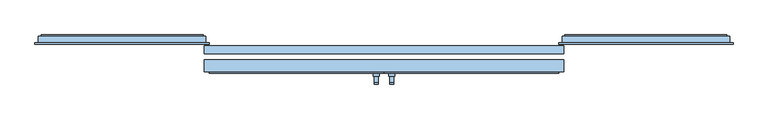
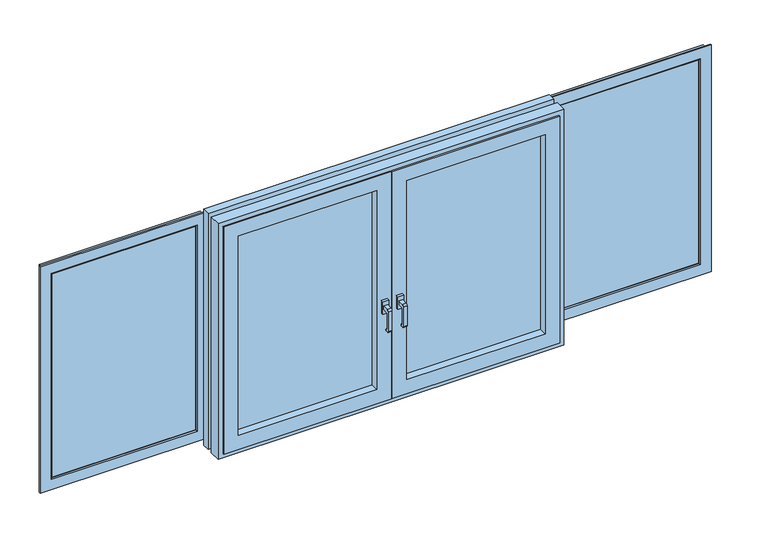
"""IFC4 building model written with IfcOpenShell, lengths in millimetres: window geometry."""

import ifcopenshell
import ifcopenshell.guid

model = None  # the IFC model being written
_history = None  # IfcOwnerHistory: only IFC2X3 demands one
_inside = {}  # id of a spatial element -> (the spatial element, [elements in it])
_under = {}  # id of a project, library or spatial element -> (it, [spatial elements below it])
_declared = {}  # id of a project -> (the project, [libraries it declares])
_typed = {}  # id of a type object -> (the type object, [elements of that type])
_made_of = {}  # id of a material, layer set ... -> (it, [elements and type objects made of it])


def new_model(schema):
    """Start an empty IFC model of exactly this schema.

    Asked for "IFC4X3", IfcOpenShell would pick the latest addendum, in which some entities
    have other attributes; the version numbers below select the first issue.
    IFC2X3 requires an IfcOwnerHistory on every rooted entity: one is made here for all.
    """
    global model, _history
    if schema == "IFC4X3":
        model = ifcopenshell.file(schema_version=(4, 3, 0, 0))
    else:
        model = ifcopenshell.file(schema=schema)
    _inside.clear()
    _under.clear()
    _declared.clear()
    _typed.clear()
    _made_of.clear()
    _history = None
    if model.schema == "IFC2X3":
        org = make("IfcOrganization", Name="unknown")
        user = make(
            "IfcPersonAndOrganization",
            ThePerson=make("IfcPerson", FamilyName="unknown"),
            TheOrganization=org,
        )
        app = make(
            "IfcApplication",
            ApplicationDeveloper=org,
            Version="unknown",
            ApplicationFullName="unknown",
            ApplicationIdentifier="unknown",
        )
        _history = make(
            "IfcOwnerHistory",
            OwningUser=user,
            OwningApplication=app,
            ChangeAction="ADDED",
            CreationDate=0,
        )
    return model


def make(cls, **values):
    """One entity of the class cls with the attributes given. An attribute that is None is left unset."""
    return model.create_entity(
        cls, **{name: value for name, value in values.items() if value is not None}
    )


def rooted(cls, **values):
    """An entity with a GlobalId (a new one), such as an element, a storey or a relation."""
    return make(cls, GlobalId=ifcopenshell.guid.new(), OwnerHistory=_history, **values)


def si_unit(unit_type, name, prefix=None):
    """IfcSIUnit, for example si_unit("LENGTHUNIT", "METRE", prefix="MILLI")."""
    return make("IfcSIUnit", UnitType=unit_type, Prefix=prefix, Name=name)


def assignment(units):
    """IfcUnitAssignment: the units of a project."""
    return None if units is None else make("IfcUnitAssignment", Units=units)


def point(xyz):
    """IfcCartesianPoint."""
    return None if xyz is None else make("IfcCartesianPoint", Coordinates=xyz)


def direction(xyz):
    """IfcDirection."""
    return None if xyz is None else make("IfcDirection", DirectionRatios=xyz)


def frame(location, z_axis=None, x_axis=None):
    """IfcAxis2Placement3D, a coordinate frame: its origin and axes. An axis left out is left unset."""
    return make(
        "IfcAxis2Placement3D",
        Location=point(location),
        Axis=direction(z_axis),
        RefDirection=direction(x_axis),
    )


def frame_2d(location, x_axis=None):
    """IfcAxis2Placement2D, a coordinate frame in the plane: its origin and x axis."""
    return make(
        "IfcAxis2Placement2D", Location=point(location), RefDirection=direction(x_axis)
    )


def origin():
    """The frame at (0, 0, 0) with its axes left unset."""
    return frame((0.0, 0.0, 0.0))


def place(relative_to, where):
    """IfcLocalPlacement: puts the frame where relative to a parent placement (None: the world)."""
    return make(
        "IfcLocalPlacement", PlacementRelTo=relative_to, RelativePlacement=where
    )


def context(
    kind, dimensions, precision=None, world=None, true_north=None, identifier=None
):
    """IfcGeometricRepresentationContext, for example the 3D "Model" context."""
    return make(
        "IfcGeometricRepresentationContext",
        ContextIdentifier=identifier,
        ContextType=kind,
        CoordinateSpaceDimension=dimensions,
        Precision=precision,
        WorldCoordinateSystem=world,
        TrueNorth=true_north,
    )


def project(units=None, contexts=None):
    """IfcProject with its units and contexts."""
    return rooted(
        "IfcProject",
        Name="project",
        RepresentationContexts=contexts,
        UnitsInContext=assignment(units),
    )


def spatial(cls, under=None, at=None, **own):
    """A site, building, storey or space (cls), placed at a placement, below another one or the project."""
    s = rooted(cls, ObjectPlacement=at, **own)
    if under is not None:
        _under.setdefault(under.id(), (under, []))[1].append(s)
    return s


def polyline(points):
    """IfcPolyline through the points."""
    return make("IfcPolyline", Points=[point(p) for p in points])


def circle_curve(where, radius):
    """IfcCircle in the frame where."""
    return make("IfcCircle", Position=where, Radius=radius)


def ellipse_curve(where, semi_axis1, semi_axis2):
    """IfcEllipse in the frame where."""
    return make(
        "IfcEllipse", Position=where, SemiAxis1=semi_axis1, SemiAxis2=semi_axis2
    )


def trimmed(basis, trim1, trim2, sense, master):
    """IfcTrimmedCurve: the piece of a basis curve between two trims."""
    return make(
        "IfcTrimmedCurve",
        BasisCurve=basis,
        Trim1=trim1,
        Trim2=trim2,
        SenseAgreement=sense,
        MasterRepresentation=master,
    )


def segment(curve, same_sense, transition):
    """IfcCompositeCurveSegment."""
    return make(
        "IfcCompositeCurveSegment",
        Transition=transition,
        SameSense=same_sense,
        ParentCurve=curve,
    )


def composite_curve(segments, self_intersect=None):
    """IfcCompositeCurve: segments joined end to end."""
    return make("IfcCompositeCurve", Segments=segments, SelfIntersect=self_intersect)


def outline(outer, holes=None, kind="AREA"):
    """IfcArbitraryClosedProfileDef: a profile drawn as a closed curve; with holes, ...WithVoids."""
    if holes is None:
        return make("IfcArbitraryClosedProfileDef", ProfileType=kind, OuterCurve=outer)
    return make(
        "IfcArbitraryProfileDefWithVoids",
        ProfileType=kind,
        OuterCurve=outer,
        InnerCurves=holes,
    )


def extrude(swept, where, along, depth):
    """IfcExtrudedAreaSolid: the profile swept, set in the frame where, extruded along a direction by depth."""
    return make(
        "IfcExtrudedAreaSolid",
        SweptArea=swept,
        Position=where,
        ExtrudedDirection=direction(along),
        Depth=depth,
    )


def faces_of(points, faces, orient=None, outer=None):
    """IfcFace entities. A face is a list of loops; a loop is a list of indices into points, from 0.

    orient and outer hold one flag for each loop. By default every Orientation is true, the
    first loop of a face is its IfcFaceOuterBound and the others are IfcFaceBound.
    """
    made = []
    for i, loops in enumerate(faces):
        bounds = []
        for j, loop in enumerate(loops):
            is_outer = j == 0 if outer is None else outer[i][j]
            bounds.append(
                make(
                    "IfcFaceOuterBound" if is_outer else "IfcFaceBound",
                    Bound=make("IfcPolyLoop", Polygon=[points[k] for k in loop]),
                    Orientation=True if orient is None else orient[i][j],
                )
            )
        made.append(make("IfcFace", Bounds=bounds))
    return made


def faceted_brep(points, faces, orient=None, outer=None, voids=None):
    """IfcFacetedBrep: a solid bounded by flat faces; with voids (closed shells), ...WithVoids."""
    shared = [point(p) for p in points]
    hull = make("IfcClosedShell", CfsFaces=faces_of(shared, faces, orient, outer))
    if voids is None:
        return make("IfcFacetedBrep", Outer=hull)
    return make(
        "IfcFacetedBrepWithVoids",
        Outer=hull,
        Voids=[
            make(cls, CfsFaces=faces_of(shared, fs, o, b)) for cls, fs, o, b in voids
        ],
    )


def shape(context_of_items, identifier, shape_type, items):
    """IfcShapeRepresentation: the items that make up one representation, for example the "Body"."""
    return make(
        "IfcShapeRepresentation",
        ContextOfItems=context_of_items,
        RepresentationIdentifier=identifier,
        RepresentationType=shape_type,
        Items=items,
    )


def source(mapping_origin, context_of_items, identifier, shape_type, items):
    """IfcRepresentationMap: a shape defined once, which mapped items show again and again."""
    return make(
        "IfcRepresentationMap",
        MappingOrigin=mapping_origin,
        MappedRepresentation=shape(context_of_items, identifier, shape_type, items),
    )


def transform(
    local_origin,
    x_axis=None,
    y_axis=None,
    z_axis=None,
    scale=None,
    scale2=None,
    scale3=None,
    uniform=True,
):
    """IfcCartesianTransformationOperator3D, or its non-uniform kind. x_axis, y_axis, z_axis: its Axis1, 2, 3."""
    if uniform:
        return make(
            "IfcCartesianTransformationOperator3D",
            Axis1=direction(x_axis),
            Axis2=direction(y_axis),
            LocalOrigin=point(local_origin),
            Scale=scale,
            Axis3=direction(z_axis),
        )
    return make(
        "IfcCartesianTransformationOperator3DnonUniform",
        Axis1=direction(x_axis),
        Axis2=direction(y_axis),
        LocalOrigin=point(local_origin),
        Scale=scale,
        Axis3=direction(z_axis),
        Scale2=scale2,
        Scale3=scale3,
    )


def mapped(mapping_source, mapping_target):
    """IfcMappedItem: shows the shape of a source again, moved by a transform."""
    return make(
        "IfcMappedItem", MappingSource=mapping_source, MappingTarget=mapping_target
    )


def made_of(thing, what):
    """Note that an element or type object is made of a material, layer set ...; save() writes the relation."""
    if what is not None:
        _made_of.setdefault(what.id(), (what, []))[1].append(thing)
    return thing


def element(
    cls,
    number,
    at=None,
    inside=None,
    cuts=None,
    type_object=None,
    material=None,
    context=None,
    identifier="Body",
    shape_type=None,
    held_by="IfcProductDefinitionShape",
    body=None,
    shapes=None,
    **own,
):
    """One element of the class cls, such as IfcWall. Its Tag is "e" and its number.

    at: its placement. inside: the storey or other place that contains it. cuts: it is an
    opening in that element (IfcRelVoidsElement). A single representation is given by context,
    identifier, shape_type and body (its items); several are given by shapes. held_by: the class
    of the entity that holds the representations. save() writes the other relations.
    """
    e = rooted(cls, Tag="e%d" % number, ObjectPlacement=at, **own)
    if body is not None:
        shapes = [shape(context, identifier, shape_type, body)]
    if shapes is not None:
        e.Representation = make(held_by, Representations=shapes)
    if inside is not None:
        _inside.setdefault(inside.id(), (inside, []))[1].append(e)
    if cuts is not None:
        rooted(
            "IfcRelVoidsElement", RelatingBuildingElement=cuts, RelatedOpeningElement=e
        )
    if type_object is not None:
        _typed.setdefault(type_object.id(), (type_object, []))[1].append(e)
    return made_of(e, material)


def aggregate(whole, parts):
    """IfcRelAggregates: a whole, such as a stair, and the parts it consists of."""
    return rooted("IfcRelAggregates", RelatingObject=whole, RelatedObjects=parts)


def save(model, path):
    """Write the relations noted so far, then the file.

    IfcRelAggregates (storeys below a building ...), IfcRelContainedInSpatialStructure (elements
    in a storey), IfcRelDefinesByType, IfcRelAssociatesMaterial and IfcRelDeclares: one each for
    every whole, place, type object, material and project.
    """
    for whole, parts in _under.values():
        aggregate(whole, parts)
    for where, things in _inside.values():
        rooted(
            "IfcRelContainedInSpatialStructure",
            RelatedElements=things,
            RelatingStructure=where,
        )
    for kind, things in _typed.values():
        rooted("IfcRelDefinesByType", RelatedObjects=things, RelatingType=kind)
    for what, things in _made_of.values():
        rooted("IfcRelAssociatesMaterial", RelatedObjects=things, RelatingMaterial=what)
    for by, libraries in _declared.values():
        rooted("IfcRelDeclares", RelatingContext=by, RelatedDefinitions=libraries)
    model.write(path)


def plane_surface(at):
    """IfcPlane: the flat surface through the origin of the frame at, square to its z axis."""
    return make("IfcPlane", Position=at)


def cylinder_surface(at, radius):
    """IfcCylindricalSurface: all points at the distance radius from the z axis of the frame at."""
    return make("IfcCylindricalSurface", Position=at, Radius=radius)


def advanced_brep(points, edges, surfaces, faces):
    """IfcAdvancedBrep: a solid bounded by faces that lie on surfaces and meet in shared edges.

    An edge is (start, end): straight between two places in points (the first is 0);
    or (start, end, curve); or (start, end, curve, False) where it runs against its curve.
    A face is (place in surfaces, loops), or (place, loops, False) where it looks against
    its surface's normal. A loop lists edges by number (the first is 1), with a minus sign
    where the edge is run from its end to its start. The first loop is the outer one.
    """
    corners = [point(p) for p in points]
    vertices = [make("IfcVertexPoint", VertexGeometry=c) for c in corners]
    made = []
    for start, end, *more in edges:
        made.append(
            make(
                "IfcEdgeCurve",
                EdgeStart=vertices[start],
                EdgeEnd=vertices[end],
                EdgeGeometry=more[0] if more else make("IfcPolyline", Points=[corners[start], corners[end]]),
                SameSense=more[1] if len(more) > 1 else True,
            )
        )
    hull = []
    for where, loops, *sense in faces:
        bounds = []
        for j, loop in enumerate(loops):
            ring = [make("IfcOrientedEdge", EdgeElement=made[abs(k) - 1], Orientation=k > 0) for k in loop]
            bounds.append(
                make(
                    "IfcFaceOuterBound" if j == 0 else "IfcFaceBound",
                    Bound=make("IfcEdgeLoop", EdgeList=ring),
                    Orientation=True,
                )
            )
        hull.append(make("IfcAdvancedFace", Bounds=bounds, FaceSurface=surfaces[where], SameSense=sense[0] if sense else True))
    return make("IfcAdvancedBrep", Outer=make("IfcClosedShell", CfsFaces=hull))


def window_fe2978f3(model_context):
    return source(origin(), model_context, "Body", "SolidModel", [
        extrude(outline(polyline([(-1685.033119, 147.5), (-934.966881, 147.5), (-934.966881, 115.0), (-1685.033119, 115.0), (-1685.033119, 147.5)])), frame((0.0, 0.0, 988.0), z_axis=(0.0, 0.0, 1.0), x_axis=(1.0, 0.0, 0.0)), (0.0, 0.0, 1.0), 1123.9326115),
        advanced_brep(
        [(-1729.033119, 115.0, 2156.0), (-1729.033119, 147.5, 2156.0), (-1729.033119, 147.5, 944.0), (-1729.033119, 115.0, 944.0), (-890.966881, 147.5, 2156.0), (-890.966881, 147.5, 944.0), (-1714.533119, 147.5, 958.5), (-905.466881, 147.5, 958.5), (-905.466881, 147.5, 2141.5), (-1714.533119, 147.5, 2141.5), (-890.966881, 115.0, 944.0), (-1746.5, 115.0, 2173.466881), (-873.5, 115.0, 2173.466881), (-873.5, 115.0, 926.533119), (-1746.5, 115.0, 926.533119), (-890.966881, 115.0, 2156.0), (-1714.533119, 155.0, 2141.5), (-1714.533119, 155.0, 958.5), (-905.466881, 155.0, 2141.5), (-905.466881, 155.0, 958.5), (-1690.033119, 155.0, 983.0), (-929.966881, 155.0, 983.0), (-929.966881, 155.0, 2117.0), (-1690.033119, 155.0, 2117.0), (-1685.033119, 150.0, 2112.0), (-1685.033119, 150.0, 988.0), (-1685.033119, 112.5, 2112.0), (-1685.033119, 112.5, 988.0), (-934.966881, 150.0, 988.0), (-1690.033119, 107.5, 2117.0), (-1690.033119, 107.5, 983.0), (-934.966881, 112.5, 988.0), (-1746.5, 107.5, 926.533119), (-873.5, 107.5, 926.533119), (-873.5, 107.5, 2173.466881), (-1746.5, 107.5, 2173.466881), (-929.966881, 107.5, 2117.0), (-929.966881, 107.5, 983.0), (-934.966881, 150.0, 2112.0), (-934.966881, 112.5, 2112.0)],
        [
            (0, 1),
            (1, 2),
            (2, 3),
            (3, 0),
            (1, 4),
            (4, 5),
            (5, 2),
            (6, 7),
            (7, 8),
            (8, 9),
            (9, 6),
            (5, 10),
            (10, 3),
            (11, 12),
            (12, 13),
            (13, 14),
            (14, 11),
            (10, 15),
            (15, 0),
            (9, 16),
            (16, 17),
            (17, 6),
            (16, 18),
            (18, 19),
            (19, 17),
            (20, 21),
            (21, 22),
            (22, 23),
            (23, 20),
            (19, 7),
            (23, 24, ellipse_curve(frame((-1690.033119, 150.0, 2117.0), z_axis=(-0.7071067811865475, 0.0, -0.7071067811865475), x_axis=(-0.7071067811865474, 0.0, 0.7071067811865476)), 7.0710678, 5.0)),
            (24, 25),
            (25, 20, ellipse_curve(frame((-1690.033119, 150.0, 983.0), z_axis=(-0.7071067811865475, 0.0, 0.7071067811865475), x_axis=(0.7071067811865474, 0.0, 0.7071067811865476)), 7.0710678, 5.0)),
            (24, 26),
            (26, 27),
            (27, 25),
            (25, 28),
            (28, 21, ellipse_curve(frame((-929.966881, 150.0, 983.0), z_axis=(-0.7071067811865475, 0.0, -0.7071067811865475), x_axis=(-0.7071067811865476, 0.0, 0.7071067811865474)), 7.0710678, 5.0)),
            (26, 29, ellipse_curve(frame((-1690.033119, 112.5, 2117.0), z_axis=(-0.7071067811865475, 0.0, -0.7071067811865475), x_axis=(-0.7071067811865474, 0.0, 0.7071067811865476)), 7.0710678, 5.0)),
            (29, 30),
            (30, 27, ellipse_curve(frame((-1690.033119, 112.5, 983.0), z_axis=(-0.7071067811865475, 0.0, 0.7071067811865475), x_axis=(0.7071067811865474, 0.0, 0.7071067811865476)), 7.0710678, 5.0)),
            (27, 31),
            (31, 28),
            (32, 33),
            (33, 34),
            (34, 35),
            (35, 32),
            (29, 36),
            (36, 37),
            (37, 30),
            (37, 31, ellipse_curve(frame((-929.966881, 112.5, 983.0), z_axis=(-0.7071067811865475, 0.0, -0.7071067811865475), x_axis=(-0.7071067811865476, 0.0, 0.7071067811865474)), 7.0710678, 5.0)),
            (35, 11),
            (14, 32),
            (13, 33),
            (4, 15),
            (18, 8),
            (28, 38),
            (38, 22, ellipse_curve(frame((-929.966881, 150.0, 2117.0), z_axis=(0.7071067811865475, 0.0, -0.7071067811865475), x_axis=(-0.7071067811865474, 0.0, -0.7071067811865476)), 7.0710678, 5.0)),
            (31, 39),
            (39, 38),
            (36, 39, ellipse_curve(frame((-929.966881, 112.5, 2117.0), z_axis=(0.7071067811865475, 0.0, -0.7071067811865475), x_axis=(-0.7071067811865474, 0.0, -0.7071067811865476)), 7.0710678, 5.0)),
            (12, 34),
            (38, 24),
            (39, 26),
        ],
        [
            plane_surface(frame((-1729.033119, 147.5, 2156.0), z_axis=(-1.0, 0.0, 0.0), x_axis=(0.0, 0.0, -1.0))),
            plane_surface(frame((-905.466881, 147.5, 2141.5), z_axis=(0.0, 1.0, 0.0), x_axis=(-1.0, 0.0, 0.0))),
            plane_surface(frame((-1729.033119, 147.5, 944.0), z_axis=(0.0, 0.0, -1.0), x_axis=(1.0, 0.0, 0.0))),
            plane_surface(frame((-890.966881, 115.0, 2156.0), z_axis=(0.0, 1.0, 0.0), x_axis=(-1.0, 0.0, 0.0))),
            plane_surface(frame((-1714.533119, 155.0, 2141.5), z_axis=(-1.0, 0.0, 0.0), x_axis=(0.0, 0.0, -1.0))),
            plane_surface(frame((-929.966881, 155.0, 2117.0), z_axis=(0.0, 1.0, 0.0), x_axis=(-1.0, 0.0, 0.0))),
            plane_surface(frame((-1714.533119, 155.0, 958.5), z_axis=(0.0, 0.0, -1.0), x_axis=(1.0, 0.0, 0.0))),
            cylinder_surface(frame((-1690.033119, 150.0, 2146.5), z_axis=(0.0, 0.0, 1.0), x_axis=(-1.0, 0.0, 0.0)), 5.0),
            plane_surface(frame((-1685.033119, 112.5, 2112.0), z_axis=(1.0, 0.0, 0.0), x_axis=(0.0, 0.0, -1.0))),
            cylinder_surface(frame((-1719.533119, 150.0, 983.0), z_axis=(-1.0, 0.0, 0.0), x_axis=(0.0, 0.0, -1.0)), 5.0),
            cylinder_surface(frame((-1690.033119, 112.5, 2146.5), z_axis=(0.0, 0.0, 1.0), x_axis=(-1.0, 0.0, 0.0)), 5.0),
            plane_surface(frame((-1685.033119, 112.5, 988.0), z_axis=(0.0, 0.0, 1.0), x_axis=(1.0, 0.0, 0.0))),
            plane_surface(frame((-873.5, 107.5, 2173.466881), z_axis=(0.0, -1.0, 0.0), x_axis=(-1.0, 0.0, 0.0))),
            cylinder_surface(frame((-1719.533119, 112.5, 983.0), z_axis=(-1.0, 0.0, 0.0), x_axis=(0.0, 0.0, -1.0)), 5.0),
            plane_surface(frame((-1746.5, 115.0, 2173.466881), z_axis=(-1.0, 0.0, 0.0), x_axis=(0.0, 0.0, -1.0))),
            plane_surface(frame((-1746.5, 115.0, 926.533119), z_axis=(0.0, 0.0, -1.0), x_axis=(1.0, 0.0, 0.0))),
            plane_surface(frame((-890.966881, 147.5, 944.0), z_axis=(1.0, 0.0, 0.0), x_axis=(0.0, 0.0, 1.0))),
            plane_surface(frame((-905.466881, 155.0, 958.5), z_axis=(1.0, 0.0, 0.0), x_axis=(0.0, 0.0, 1.0))),
            cylinder_surface(frame((-929.966881, 150.0, 953.5), z_axis=(0.0, 0.0, -1.0), x_axis=(1.0, 0.0, 0.0)), 5.0),
            plane_surface(frame((-934.966881, 112.5, 988.0), z_axis=(-1.0, 0.0, 0.0), x_axis=(0.0, 0.0, 1.0))),
            cylinder_surface(frame((-929.966881, 112.5, 953.5), z_axis=(0.0, 0.0, -1.0), x_axis=(1.0, 0.0, 0.0)), 5.0),
            plane_surface(frame((-873.5, 115.0, 926.533119), z_axis=(1.0, 0.0, 0.0), x_axis=(0.0, 0.0, 1.0))),
            plane_surface(frame((-890.966881, 147.5, 2156.0), z_axis=(0.0, 0.0, 1.0), x_axis=(-1.0, 0.0, 0.0))),
            plane_surface(frame((-905.466881, 155.0, 2141.5), z_axis=(0.0, 0.0, 1.0), x_axis=(-1.0, 0.0, 0.0))),
            cylinder_surface(frame((-900.466881, 150.0, 2117.0), z_axis=(1.0, 0.0, 0.0), x_axis=(0.0, 0.0, 1.0)), 5.0),
            plane_surface(frame((-934.966881, 112.5, 2112.0), z_axis=(0.0, 0.0, -1.0), x_axis=(-1.0, 0.0, 0.0))),
            cylinder_surface(frame((-900.466881, 112.5, 2117.0), z_axis=(1.0, 0.0, 0.0), x_axis=(0.0, 0.0, 1.0)), 5.0),
            plane_surface(frame((-873.5, 115.0, 2173.466881), z_axis=(0.0, 0.0, 1.0), x_axis=(-1.0, 0.0, 0.0))),
        ],
        [
            (0, [[1, 2, 3, 4]]),
            (1, [[5, 6, 7, -2], [8, 9, 10, 11]]),
            (2, [[-3, -7, 12, 13]]),
            (3, [[14, 15, 16, 17], [-13, 18, 19, -4]]),
            (4, [[20, 21, 22, -11]]),
            (5, [[23, 24, 25, -21], [26, 27, 28, 29]]),
            (6, [[-22, -25, 30, -8]]),
            (7, [[31, 32, 33, -29]]),
            (8, [[34, 35, 36, -32]]),
            (9, [[-33, 37, 38, -26]]),
            (10, [[39, 40, 41, -35]]),
            (11, [[-36, 42, 43, -37]]),
            (12, [[44, 45, 46, 47], [48, 49, 50, -40]]),
            (13, [[-41, -50, 51, -42]]),
            (14, [[52, -17, 53, -47]]),
            (15, [[-53, -16, 54, -44]]),
            (16, [[-12, -6, 55, -18]]),
            (17, [[-30, -24, 56, -9]]),
            (18, [[-38, 57, 58, -27]]),
            (19, [[-43, 59, 60, -57]]),
            (20, [[-51, -49, 61, -59]]),
            (21, [[-54, -15, 62, -45]]),
            (22, [[-55, -5, -1, -19]]),
            (23, [[-56, -23, -20, -10]]),
            (24, [[-58, 63, -31, -28]]),
            (25, [[-60, 64, -34, -63]]),
            (26, [[-61, -48, -39, -64]]),
            (27, [[-62, -14, -52, -46]]),
        ],
    ),
        extrude(outline(polyline([(934.966881, 147.5), (1685.033119, 147.5), (1685.033119, 115.0), (934.966881, 115.0), (934.966881, 147.5)])), frame((0.0, 0.0, 988.0), z_axis=(0.0, 0.0, 1.0), x_axis=(1.0, 0.0, 0.0)), (0.0, 0.0, 1.0), 1123.9326115),
        advanced_brep(
        [(1729.033119, 147.5, 2156.0), (1729.033119, 115.0, 2156.0), (1729.033119, 115.0, 944.0), (1729.033119, 147.5, 944.0), (1746.5, 115.0, 926.533119), (873.5, 115.0, 926.533119), (873.5, 115.0, 2173.466881), (1746.5, 115.0, 2173.466881), (890.966881, 115.0, 2156.0), (890.966881, 115.0, 944.0), (890.966881, 147.5, 944.0), (890.966881, 147.5, 2156.0), (1714.533119, 147.5, 2141.5), (905.466881, 147.5, 2141.5), (905.466881, 147.5, 958.5), (1714.533119, 147.5, 958.5), (1714.533119, 155.0, 2141.5), (1714.533119, 155.0, 958.5), (905.466881, 155.0, 958.5), (905.466881, 155.0, 2141.5), (1690.033119, 155.0, 2117.0), (929.966881, 155.0, 2117.0), (929.966881, 155.0, 983.0), (1690.033119, 155.0, 983.0), (1685.033119, 150.0, 2112.0), (1685.033119, 150.0, 988.0), (934.966881, 150.0, 988.0), (1685.033119, 112.5, 2112.0), (1685.033119, 112.5, 988.0), (934.966881, 112.5, 988.0), (1690.033119, 107.5, 2117.0), (1690.033119, 107.5, 983.0), (929.966881, 107.5, 983.0), (1746.5, 107.5, 2173.466881), (873.5, 107.5, 2173.466881), (873.5, 107.5, 926.533119), (1746.5, 107.5, 926.533119), (929.966881, 107.5, 2117.0), (934.966881, 150.0, 2112.0), (934.966881, 112.5, 2112.0)],
        [
            (0, 1),
            (1, 2),
            (2, 3),
            (3, 0),
            (4, 5),
            (5, 6),
            (6, 7),
            (7, 4),
            (1, 8),
            (8, 9),
            (9, 2),
            (9, 10),
            (10, 3),
            (10, 11),
            (11, 0),
            (12, 13),
            (13, 14),
            (14, 15),
            (15, 12),
            (16, 12),
            (15, 17),
            (17, 16),
            (14, 18),
            (18, 17),
            (18, 19),
            (19, 16),
            (20, 21),
            (21, 22),
            (22, 23),
            (23, 20),
            (24, 20, ellipse_curve(frame((1690.033119, 150.0, 2117.0), z_axis=(0.7071067811865475, 0.0, -0.7071067811865475), x_axis=(0.7071067811865474, 0.0, 0.7071067811865476)), 7.0710678, 5.0)),
            (23, 25, ellipse_curve(frame((1690.033119, 150.0, 983.0), z_axis=(0.7071067811865475, 0.0, 0.7071067811865475), x_axis=(-0.7071067811865474, 0.0, 0.7071067811865476)), 7.0710678, 5.0)),
            (25, 24),
            (22, 26, ellipse_curve(frame((929.966881, 150.0, 983.0), z_axis=(0.7071067811865475, 0.0, -0.7071067811865475), x_axis=(0.7071067811865476, 0.0, 0.7071067811865474)), 7.0710678, 5.0)),
            (26, 25),
            (27, 24),
            (25, 28),
            (28, 27),
            (26, 29),
            (29, 28),
            (30, 27, ellipse_curve(frame((1690.033119, 112.5, 2117.0), z_axis=(0.7071067811865475, 0.0, -0.7071067811865475), x_axis=(0.7071067811865474, 0.0, 0.7071067811865476)), 7.0710678, 5.0)),
            (28, 31, ellipse_curve(frame((1690.033119, 112.5, 983.0), z_axis=(0.7071067811865475, 0.0, 0.7071067811865475), x_axis=(-0.7071067811865474, 0.0, 0.7071067811865476)), 7.0710678, 5.0)),
            (31, 30),
            (29, 32, ellipse_curve(frame((929.966881, 112.5, 983.0), z_axis=(0.7071067811865475, 0.0, -0.7071067811865475), x_axis=(0.7071067811865476, 0.0, 0.7071067811865474)), 7.0710678, 5.0)),
            (32, 31),
            (33, 34),
            (34, 35),
            (35, 36),
            (36, 33),
            (32, 37),
            (37, 30),
            (7, 33),
            (36, 4),
            (35, 5),
            (8, 11),
            (13, 19),
            (21, 38, ellipse_curve(frame((929.966881, 150.0, 2117.0), z_axis=(-0.7071067811865475, 0.0, -0.7071067811865475), x_axis=(0.7071067811865474, 0.0, -0.7071067811865476)), 7.0710678, 5.0)),
            (38, 26),
            (38, 39),
            (39, 29),
            (39, 37, ellipse_curve(frame((929.966881, 112.5, 2117.0), z_axis=(-0.7071067811865475, 0.0, -0.7071067811865475), x_axis=(0.7071067811865474, 0.0, -0.7071067811865476)), 7.0710678, 5.0)),
            (34, 6),
            (24, 38),
            (27, 39),
        ],
        [
            plane_surface(frame((1729.033119, 115.0, 2156.0), z_axis=(1.0, 0.0, 0.0), x_axis=(0.0, 0.0, -1.0))),
            plane_surface(frame((873.5, 115.0, 2173.466881), z_axis=(0.0, 1.0, 0.0), x_axis=(1.0, 0.0, 0.0))),
            plane_surface(frame((1729.033119, 115.0, 944.0), z_axis=(0.0, 0.0, -1.0), x_axis=(-1.0, 0.0, 0.0))),
            plane_surface(frame((890.966881, 147.5, 2156.0), z_axis=(0.0, 1.0, 0.0), x_axis=(1.0, 0.0, 0.0))),
            plane_surface(frame((1714.533119, 147.5, 2141.5), z_axis=(1.0, 0.0, 0.0), x_axis=(0.0, 0.0, -1.0))),
            plane_surface(frame((1714.533119, 147.5, 958.5), z_axis=(0.0, 0.0, -1.0), x_axis=(-1.0, 0.0, 0.0))),
            plane_surface(frame((905.466881, 155.0, 2141.5), z_axis=(0.0, 1.0, 0.0), x_axis=(1.0, 0.0, 0.0))),
            cylinder_surface(frame((1690.033119, 150.0, 2146.5), z_axis=(0.0, 0.0, 1.0), x_axis=(-1.0, 0.0, 0.0)), 5.0),
            cylinder_surface(frame((1719.533119, 150.0, 983.0), z_axis=(1.0, 0.0, 0.0), x_axis=(0.0, 0.0, 1.0)), 5.0),
            plane_surface(frame((1685.033119, 150.0, 2112.0), z_axis=(-1.0, 0.0, 0.0), x_axis=(0.0, 0.0, -1.0))),
            plane_surface(frame((1685.033119, 150.0, 988.0), z_axis=(0.0, 0.0, 1.0), x_axis=(-1.0, 0.0, 0.0))),
            cylinder_surface(frame((1690.033119, 112.5, 2146.5), z_axis=(0.0, 0.0, 1.0), x_axis=(-1.0, 0.0, 0.0)), 5.0),
            cylinder_surface(frame((1719.533119, 112.5, 983.0), z_axis=(1.0, 0.0, 0.0), x_axis=(0.0, 0.0, 1.0)), 5.0),
            plane_surface(frame((929.966881, 107.5, 2117.0), z_axis=(0.0, -1.0, 0.0), x_axis=(1.0, 0.0, 0.0))),
            plane_surface(frame((1746.5, 107.5, 2173.466881), z_axis=(1.0, 0.0, 0.0), x_axis=(0.0, 0.0, -1.0))),
            plane_surface(frame((1746.5, 107.5, 926.533119), z_axis=(0.0, 0.0, -1.0), x_axis=(-1.0, 0.0, 0.0))),
            plane_surface(frame((890.966881, 115.0, 944.0), z_axis=(-1.0, 0.0, 0.0), x_axis=(0.0, 0.0, 1.0))),
            plane_surface(frame((905.466881, 147.5, 958.5), z_axis=(-1.0, 0.0, 0.0), x_axis=(0.0, 0.0, 1.0))),
            cylinder_surface(frame((929.966881, 150.0, 953.5), z_axis=(0.0, 0.0, -1.0), x_axis=(1.0, 0.0, 0.0)), 5.0),
            plane_surface(frame((934.966881, 150.0, 988.0), z_axis=(1.0, 0.0, 0.0), x_axis=(0.0, 0.0, 1.0))),
            cylinder_surface(frame((929.966881, 112.5, 953.5), z_axis=(0.0, 0.0, -1.0), x_axis=(1.0, 0.0, 0.0)), 5.0),
            plane_surface(frame((873.5, 107.5, 926.533119), z_axis=(-1.0, 0.0, 0.0), x_axis=(0.0, 0.0, 1.0))),
            plane_surface(frame((890.966881, 115.0, 2156.0), z_axis=(0.0, 0.0, 1.0), x_axis=(1.0, 0.0, 0.0))),
            plane_surface(frame((905.466881, 147.5, 2141.5), z_axis=(0.0, 0.0, 1.0), x_axis=(1.0, 0.0, 0.0))),
            cylinder_surface(frame((900.466881, 150.0, 2117.0), z_axis=(-1.0, 0.0, 0.0), x_axis=(0.0, 0.0, -1.0)), 5.0),
            plane_surface(frame((934.966881, 150.0, 2112.0), z_axis=(0.0, 0.0, -1.0), x_axis=(1.0, 0.0, 0.0))),
            cylinder_surface(frame((900.466881, 112.5, 2117.0), z_axis=(-1.0, 0.0, 0.0), x_axis=(0.0, 0.0, -1.0)), 5.0),
            plane_surface(frame((873.5, 107.5, 2173.466881), z_axis=(0.0, 0.0, 1.0), x_axis=(1.0, 0.0, 0.0))),
        ],
        [
            (0, [[1, 2, 3, 4]]),
            (1, [[5, 6, 7, 8], [9, 10, 11, -2]]),
            (2, [[-3, -11, 12, 13]]),
            (3, [[-13, 14, 15, -4], [16, 17, 18, 19]]),
            (4, [[20, -19, 21, 22]]),
            (5, [[-21, -18, 23, 24]]),
            (6, [[-24, 25, 26, -22], [27, 28, 29, 30]]),
            (7, [[31, -30, 32, 33]]),
            (8, [[-32, -29, 34, 35]]),
            (9, [[36, -33, 37, 38]]),
            (10, [[-37, -35, 39, 40]]),
            (11, [[41, -38, 42, 43]]),
            (12, [[-42, -40, 44, 45]]),
            (13, [[46, 47, 48, 49], [-45, 50, 51, -43]]),
            (14, [[52, -49, 53, -8]]),
            (15, [[-53, -48, 54, -5]]),
            (16, [[-12, -10, 55, -14]]),
            (17, [[-23, -17, 56, -25]]),
            (18, [[-34, -28, 57, 58]]),
            (19, [[-39, -58, 59, 60]]),
            (20, [[-44, -60, 61, -50]]),
            (21, [[-54, -47, 62, -6]]),
            (22, [[-55, -9, -1, -15]]),
            (23, [[-56, -16, -20, -26]]),
            (24, [[-57, -27, -31, 63]]),
            (25, [[-59, -63, -36, 64]]),
            (26, [[-61, -64, -41, -51]]),
            (27, [[-62, -46, -52, -7]]),
        ],
    ),
        faceted_brep([(-900.0, 60.0, 2200.0), (-900.0, 100.0, 2200.0), (-900.0, 100.0, 900.0), (-900.0, 60.0, 900.0), (900.0, 100.0, 2200.0), (900.0, 100.0, 900.0), (-867.5, 100.0, 932.5), (867.5, 100.0, 932.5), (867.5, 100.0, 2167.5), (-867.5, 100.0, 2167.5), (900.0, 60.0, 900.0), (900.0, 60.0, 2200.0), (-846.5, 60.0, 2146.5), (846.5, 60.0, 2146.5), (846.5, 60.0, 953.5), (-846.5, 60.0, 953.5), (-846.5, 65.0, 2146.5), (-846.5, 65.0, 953.5), (846.5, 65.0, 953.5), (-867.5, 65.0, 2167.5), (867.5, 65.0, 2167.5), (867.5, 65.0, 932.5), (-867.5, 65.0, 932.5), (846.5, 65.0, 2146.5)], [[[0, 1, 2, 3]], [[1, 4, 5, 2], [6, 7, 8, 9]], [[3, 2, 5, 10]], [[3, 10, 11, 0], [12, 13, 14, 15]], [[16, 12, 15, 17]], [[17, 15, 14, 18]], [[19, 20, 21, 22], [17, 18, 23, 16]], [[9, 19, 22, 6]], [[6, 22, 21, 7]], [[10, 5, 4, 11]], [[18, 14, 13, 23]], [[7, 21, 20, 8]], [[11, 4, 1, 0]], [[23, 13, 12, 16]], [[8, 20, 19, 9]]]),
        extrude(outline(composite_curve([segment(polyline([(-80.5, 1460.0), (-50.5, 1460.0), (-50.5, 1440.0), (-75.5, 1440.0)]), True, "CONTINUOUS"), segment(trimmed(circle_curve(frame_2d((-75.5, 1435.0)), 5.0), [point((-75.5, 1440.0))], [point((-80.5, 1435.0))], True, "CARTESIAN"), True, "CONTINUOUS"), segment(polyline([(-80.5, 1435.0), (-80.5, 1350.0786403)]), True, "CONTINUOUS"), segment(trimmed(circle_curve(frame_2d((-77.4213597, 1350.0786403)), 3.0786403), [point((-80.5, 1350.0786403))], [point((-77.4213597, 1347.0))], True, "CARTESIAN"), True, "CONTINUOUS"), segment(polyline([(-77.4213597, 1347.0), (-75.5, 1347.0)]), True, "CONTINUOUS"), segment(trimmed(circle_curve(frame_2d((-75.5, 1342.0)), 5.0), [point((-75.5, 1347.0))], [point((-75.5, 1337.0))], False, "CARTESIAN"), True, "CONTINUOUS"), segment(polyline([(-75.5, 1337.0), (-85.8955173, 1337.0)]), True, "CONTINUOUS"), segment(trimmed(circle_curve(frame_2d((-85.8955173, 1341.6044827)), 4.6044827), [point((-85.8955173, 1337.0))], [point((-90.5, 1341.6044827))], False, "CARTESIAN"), True, "CONTINUOUS"), segment(polyline([(-90.5, 1341.6044827), (-90.5, 1450.0)]), True, "CONTINUOUS"), segment(trimmed(circle_curve(frame_2d((-80.5, 1450.0)), 10.0), [point((-90.5, 1450.0))], [point((-80.5, 1460.0))], False, "CARTESIAN"), True, "CONTINUOUS")], self_intersect=False)), frame((29.2463268, 0.0, 0.0), z_axis=(1.0, 0.0, 0.0), x_axis=(0.0, 1.0, 0.0)), (0.0, 0.0, 1.0), 20.0),
        extrude(outline(polyline([(24.2463268, -50.5), (24.2463268, -37.5), (54.2463268, -37.5), (54.2463268, -50.5), (24.2463268, -50.5)])), frame((0.0, 0.0, 1415.0), z_axis=(0.0, 0.0, 1.0), x_axis=(1.0, 0.0, 0.0)), (0.0, 0.0, 1.0), 70.0),
        extrude(outline(composite_curve([segment(polyline([(-80.5, 1460.0), (-50.5, 1460.0), (-50.5, 1440.0), (-75.5, 1440.0)]), True, "CONTINUOUS"), segment(trimmed(circle_curve(frame_2d((-75.5, 1435.0)), 5.0), [point((-75.5, 1440.0))], [point((-80.5, 1435.0))], True, "CARTESIAN"), True, "CONTINUOUS"), segment(polyline([(-80.5, 1435.0), (-80.5, 1350.0786403)]), True, "CONTINUOUS"), segment(trimmed(circle_curve(frame_2d((-77.4213597, 1350.0786403)), 3.0786403), [point((-80.5, 1350.0786403))], [point((-77.4213597, 1347.0))], True, "CARTESIAN"), True, "CONTINUOUS"), segment(polyline([(-77.4213597, 1347.0), (-75.5, 1347.0)]), True, "CONTINUOUS"), segment(trimmed(circle_curve(frame_2d((-75.5, 1342.0)), 5.0), [point((-75.5, 1347.0))], [point((-75.5, 1337.0))], False, "CARTESIAN"), True, "CONTINUOUS"), segment(polyline([(-75.5, 1337.0), (-85.8955173, 1337.0)]), True, "CONTINUOUS"), segment(trimmed(circle_curve(frame_2d((-85.8955173, 1341.6044827)), 4.6044827), [point((-85.8955173, 1337.0))], [point((-90.5, 1341.6044827))], False, "CARTESIAN"), True, "CONTINUOUS"), segment(polyline([(-90.5, 1341.6044827), (-90.5, 1450.0)]), True, "CONTINUOUS"), segment(trimmed(circle_curve(frame_2d((-80.5, 1450.0)), 10.0), [point((-90.5, 1450.0))], [point((-80.5, 1460.0))], False, "CARTESIAN"), True, "CONTINUOUS")], self_intersect=False)), frame((-49.2463268, 0.0, 0.0), z_axis=(1.0, 0.0, 0.0), x_axis=(0.0, 1.0, 0.0)), (0.0, 0.0, 1.0), 20.0),
        extrude(outline(polyline([(-24.2463268, -50.5), (-54.2463268, -50.5), (-54.2463268, -37.5), (-24.2463268, -37.5), (-24.2463268, -50.5)])), frame((0.0, 0.0, 1415.0), z_axis=(0.0, 0.0, 1.0), x_axis=(1.0, 0.0, 0.0)), (0.0, 0.0, 1.0), 70.0),
        extrude(outline(polyline([(798.5, 4.0), (79.0, 4.0), (79.0, 10.0), (798.5, 10.0), (798.5, 4.0)])), frame((0.0, 0.0, 1001.5), z_axis=(0.0, 0.0, 1.0), x_axis=(1.0, 0.0, 0.0)), (0.0, 0.0, 1.0), 1097.0),
        extrude(outline(polyline([(-79.0, 4.0), (-798.5, 4.0), (-798.5, 10.0), (-79.0, 10.0), (-79.0, 4.0)])), frame((0.0, 0.0, 1001.5), z_axis=(0.0, 0.0, 1.0), x_axis=(1.0, 0.0, 0.0)), (0.0, 0.0, 1.0), 1097.0),
        extrude(outline(polyline([(798.5, 16.0), (79.0, 16.0), (79.0, 22.0), (798.5, 22.0), (798.5, 16.0)])), frame((0.0, 0.0, 1001.5), z_axis=(0.0, 0.0, 1.0), x_axis=(1.0, 0.0, 0.0)), (0.0, 0.0, 1.0), 1097.0),
        extrude(outline(polyline([(-79.0, 16.0), (-798.5, 16.0), (-798.5, 22.0), (-79.0, 22.0), (-79.0, 16.0)])), frame((0.0, 0.0, 1001.5), z_axis=(0.0, 0.0, 1.0), x_axis=(1.0, 0.0, 0.0)), (0.0, 0.0, 1.0), 1097.0),
        faceted_brep([(858.0, 22.0, 2158.0), (858.0, -30.0, 2158.0), (858.0, -30.0, 942.0), (858.0, 22.0, 942.0), (2.5, -30.0, 925.0), (2.5, -30.0, 2175.0), (875.0, -30.0, 2175.0), (875.0, -30.0, 925.0), (19.5, -30.0, 2158.0), (19.5, -30.0, 942.0), (19.5, 22.0, 942.0), (19.5, 22.0, 2158.0), (35.5, 22.0, 2142.0), (35.5, 22.0, 958.0), (842.0, 22.0, 958.0), (842.0, 22.0, 2142.0), (875.0, -37.5, 2175.0), (875.0, -37.5, 925.0), (2.5, -37.5, 2175.0), (2.5, -37.5, 925.0), (79.0, -37.5, 1001.5), (79.0, -37.5, 2098.5), (798.5, -37.5, 2098.5), (798.5, -37.5, 1001.5), (798.5, 30.0, 2098.5), (798.5, 30.0, 1001.5), (35.5, 30.0, 958.0), (35.5, 30.0, 2142.0), (842.0, 30.0, 2142.0), (842.0, 30.0, 958.0), (79.0, 30.0, 2098.5), (79.0, 30.0, 1001.5)], [[[0, 1, 2, 3]], [[4, 5, 6, 7], [8, 9, 2, 1]], [[3, 2, 9, 10]], [[10, 11, 0, 3], [12, 13, 14, 15]], [[6, 16, 17, 7]], [[18, 19, 17, 16], [20, 21, 22, 23]], [[7, 17, 19, 4]], [[22, 24, 25, 23]], [[26, 27, 28, 29], [30, 31, 25, 24]], [[23, 25, 31, 20]], [[28, 15, 14, 29]], [[29, 14, 13, 26]], [[10, 9, 8, 11]], [[4, 19, 18, 5]], [[20, 31, 30, 21]], [[26, 13, 12, 27]], [[11, 8, 1, 0]], [[5, 18, 16, 6]], [[21, 30, 24, 22]], [[27, 12, 15, 28]]]),
        extrude(outline(polyline([(-33.0, 30.0), (28.0, 30.0), (28.0, 22.0), (17.0, 22.0), (17.0, -30.0), (-22.0, -30.0), (-22.0, 22.0), (-33.0, 22.0), (-33.0, 30.0)])), frame((0.0, 0.0, 962.0), z_axis=(0.0, 0.0, 1.0), x_axis=(1.0, 0.0, 0.0)), (0.0, 0.0, 1.0), 1180.0),
        faceted_brep([(-858.0, -30.0, 2158.0), (-858.0, 22.0, 2158.0), (-858.0, 22.0, 942.0), (-858.0, -30.0, 942.0), (-19.5, 22.0, 2158.0), (-19.5, 22.0, 942.0), (-35.5, 22.0, 958.0), (-35.5, 22.0, 2142.0), (-842.0, 22.0, 2142.0), (-842.0, 22.0, 958.0), (-19.5, -30.0, 942.0), (-2.5, -30.0, 2175.0), (-2.5, -30.0, 925.0), (-875.0, -30.0, 925.0), (-875.0, -30.0, 2175.0), (-19.5, -30.0, 2158.0), (-875.0, -37.5, 2175.0), (-875.0, -37.5, 925.0), (-2.5, -37.5, 925.0), (-2.5, -37.5, 2175.0), (-79.0, -37.5, 2098.5), (-79.0, -37.5, 1001.5), (-798.5, -37.5, 1001.5), (-798.5, -37.5, 2098.5), (-798.5, 30.0, 2098.5), (-798.5, 30.0, 1001.5), (-79.0, 30.0, 1001.5), (-35.5, 30.0, 2142.0), (-35.5, 30.0, 958.0), (-842.0, 30.0, 958.0), (-842.0, 30.0, 2142.0), (-79.0, 30.0, 2098.5)], [[[0, 1, 2, 3]], [[4, 5, 2, 1], [6, 7, 8, 9]], [[3, 2, 5, 10]], [[11, 12, 13, 14], [10, 15, 0, 3]], [[16, 14, 13, 17]], [[17, 13, 12, 18]], [[18, 19, 16, 17], [20, 21, 22, 23]], [[24, 23, 22, 25]], [[25, 22, 21, 26]], [[27, 28, 29, 30], [26, 31, 24, 25]], [[8, 30, 29, 9]], [[9, 29, 28, 6]], [[10, 5, 4, 15]], [[18, 12, 11, 19]], [[26, 21, 20, 31]], [[6, 28, 27, 7]], [[15, 4, 1, 0]], [[19, 11, 14, 16]], [[31, 20, 23, 24]], [[7, 27, 30, 8]]]),
        faceted_brep([(-900.0, 30.0, 2200.0), (-900.0, 30.0, 900.0), (-900.0, -30.0, 900.0), (-900.0, -30.0, 2200.0), (900.0, 30.0, 2200.0), (900.0, 30.0, 900.0), (-842.0, 30.0, 958.0), (842.0, 30.0, 958.0), (842.0, 30.0, 2142.0), (-842.0, 30.0, 2142.0), (900.0, -30.0, 900.0), (900.0, -30.0, 2200.0), (-864.0, -30.0, 2164.0), (864.0, -30.0, 2164.0), (864.0, -30.0, 936.0), (-864.0, -30.0, 936.0), (-864.0, 22.0, 2164.0), (-864.0, 22.0, 936.0), (864.0, 22.0, 936.0), (864.0, 22.0, 2164.0), (-842.0, 22.0, 2142.0), (842.0, 22.0, 2142.0), (842.0, 22.0, 958.0), (-842.0, 22.0, 958.0)], [[[0, 1, 2, 3]], [[0, 4, 5, 1], [6, 7, 8, 9]], [[2, 1, 5, 10]], [[2, 10, 11, 3], [12, 13, 14, 15]], [[16, 12, 15, 17]], [[17, 15, 14, 18]], [[17, 18, 19, 16], [20, 21, 22, 23]], [[9, 20, 23, 6]], [[6, 23, 22, 7]], [[10, 5, 4, 11]], [[18, 14, 13, 19]], [[7, 22, 21, 8]], [[11, 4, 0, 3]], [[19, 13, 12, 16]], [[8, 21, 20, 9]]]),
    ])


if __name__ == "__main__":
    model = new_model("IFC4")
    model_context = context("Model", 3, world=origin())
    ifc_project = project(units=[si_unit("LENGTHUNIT", "METRE", prefix="MILLI")], contexts=[model_context])
    site = spatial("IfcSite", under=ifc_project)
    building = spatial("IfcBuilding", under=site)
    placement = place(None, origin())
    window_shape = window_fe2978f3(model_context)
    element("IfcWindow", 1, at=placement, inside=building, context=model_context, shape_type="MappedRepresentation", body=[
        mapped(window_shape, transform((0.0, 0.0, 0.0), x_axis=(1.0, 0.0, 0.0), y_axis=(0.0, 1.0, 0.0), z_axis=(0.0, 0.0, 1.0))),
    ])
    save(model, "model.ifc")
